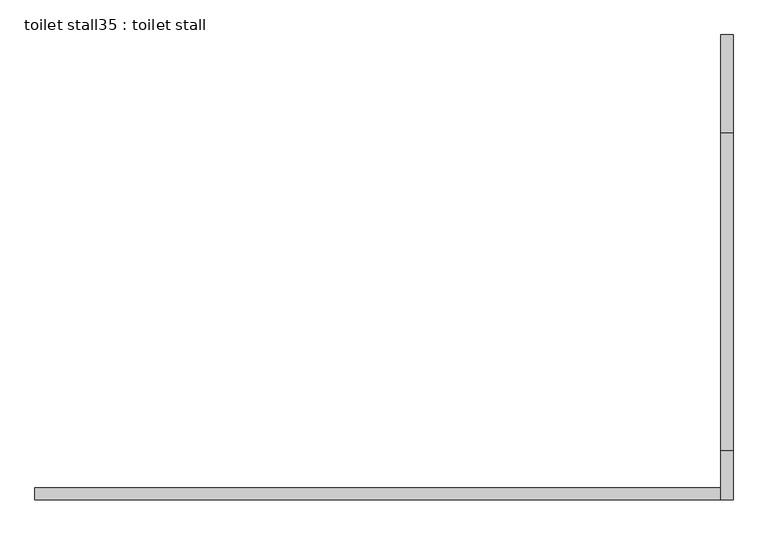
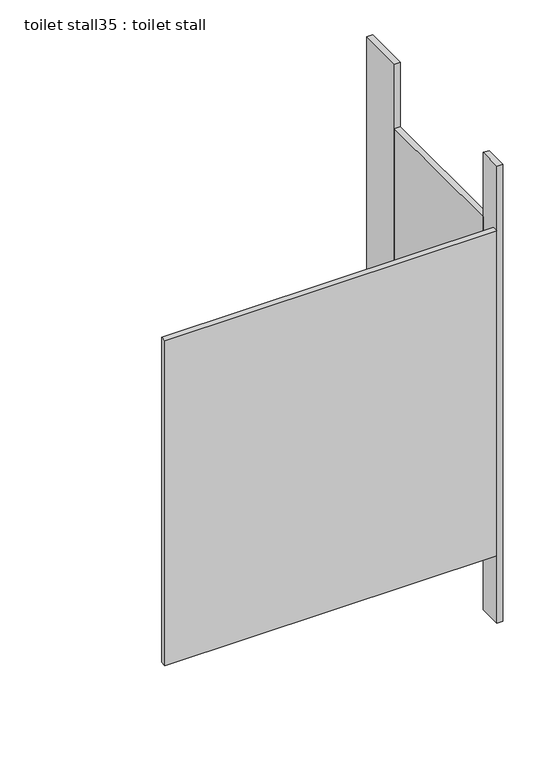
"""IFC4 building model written with IfcOpenShell, lengths in millimetres: proxy geometry, toilet stall35 : toilet stall."""

import ifcopenshell
import ifcopenshell.guid

model = None  # the IFC model being written
_history = None  # IfcOwnerHistory: only IFC2X3 demands one
_inside = {}  # id of a spatial element -> (the spatial element, [elements in it])
_under = {}  # id of a project, library or spatial element -> (it, [spatial elements below it])
_declared = {}  # id of a project -> (the project, [libraries it declares])
_typed = {}  # id of a type object -> (the type object, [elements of that type])
_made_of = {}  # id of a material, layer set ... -> (it, [elements and type objects made of it])


def new_model(schema):
    """Start an empty IFC model of exactly this schema.

    Asked for "IFC4X3", IfcOpenShell would pick the latest addendum, in which some entities
    have other attributes; the version numbers below select the first issue.
    IFC2X3 requires an IfcOwnerHistory on every rooted entity: one is made here for all.
    """
    global model, _history
    if schema == "IFC4X3":
        model = ifcopenshell.file(schema_version=(4, 3, 0, 0))
    else:
        model = ifcopenshell.file(schema=schema)
    _inside.clear()
    _under.clear()
    _declared.clear()
    _typed.clear()
    _made_of.clear()
    _history = None
    if model.schema == "IFC2X3":
        org = make("IfcOrganization", Name="unknown")
        user = make(
            "IfcPersonAndOrganization",
            ThePerson=make("IfcPerson", FamilyName="unknown"),
            TheOrganization=org,
        )
        app = make(
            "IfcApplication",
            ApplicationDeveloper=org,
            Version="unknown",
            ApplicationFullName="unknown",
            ApplicationIdentifier="unknown",
        )
        _history = make(
            "IfcOwnerHistory",
            OwningUser=user,
            OwningApplication=app,
            ChangeAction="ADDED",
            CreationDate=0,
        )
    return model


def make(cls, **values):
    """One entity of the class cls with the attributes given. An attribute that is None is left unset."""
    return model.create_entity(
        cls, **{name: value for name, value in values.items() if value is not None}
    )


def rooted(cls, **values):
    """An entity with a GlobalId (a new one), such as an element, a storey or a relation."""
    return make(cls, GlobalId=ifcopenshell.guid.new(), OwnerHistory=_history, **values)


def si_unit(unit_type, name, prefix=None):
    """IfcSIUnit, for example si_unit("LENGTHUNIT", "METRE", prefix="MILLI")."""
    return make("IfcSIUnit", UnitType=unit_type, Prefix=prefix, Name=name)


def assignment(units):
    """IfcUnitAssignment: the units of a project."""
    return None if units is None else make("IfcUnitAssignment", Units=units)


def point(xyz):
    """IfcCartesianPoint."""
    return None if xyz is None else make("IfcCartesianPoint", Coordinates=xyz)


def direction(xyz):
    """IfcDirection."""
    return None if xyz is None else make("IfcDirection", DirectionRatios=xyz)


def frame(location, z_axis=None, x_axis=None):
    """IfcAxis2Placement3D, a coordinate frame: its origin and axes. An axis left out is left unset."""
    return make(
        "IfcAxis2Placement3D",
        Location=point(location),
        Axis=direction(z_axis),
        RefDirection=direction(x_axis),
    )


def origin():
    """The frame at (0, 0, 0) with its axes left unset."""
    return frame((0.0, 0.0, 0.0))


def origin_with_axes():
    """The frame at (0, 0, 0) with the z axis (0, 0, 1) and the x axis (1, 0, 0) written out."""
    return frame((0.0, 0.0, 0.0), z_axis=(0.0, 0.0, 1.0), x_axis=(1.0, 0.0, 0.0))


def place(relative_to, where):
    """IfcLocalPlacement: puts the frame where relative to a parent placement (None: the world)."""
    return make(
        "IfcLocalPlacement", PlacementRelTo=relative_to, RelativePlacement=where
    )


def context(
    kind, dimensions, precision=None, world=None, true_north=None, identifier=None
):
    """IfcGeometricRepresentationContext, for example the 3D "Model" context."""
    return make(
        "IfcGeometricRepresentationContext",
        ContextIdentifier=identifier,
        ContextType=kind,
        CoordinateSpaceDimension=dimensions,
        Precision=precision,
        WorldCoordinateSystem=world,
        TrueNorth=true_north,
    )


def project(units=None, contexts=None):
    """IfcProject with its units and contexts."""
    return rooted(
        "IfcProject",
        Name="project",
        RepresentationContexts=contexts,
        UnitsInContext=assignment(units),
    )


def spatial(cls, under=None, at=None, **own):
    """A site, building, storey or space (cls), placed at a placement, below another one or the project."""
    s = rooted(cls, ObjectPlacement=at, **own)
    if under is not None:
        _under.setdefault(under.id(), (under, []))[1].append(s)
    return s


def polyline(points):
    """IfcPolyline through the points."""
    return make("IfcPolyline", Points=[point(p) for p in points])


def outline(outer, holes=None, kind="AREA"):
    """IfcArbitraryClosedProfileDef: a profile drawn as a closed curve; with holes, ...WithVoids."""
    if holes is None:
        return make("IfcArbitraryClosedProfileDef", ProfileType=kind, OuterCurve=outer)
    return make(
        "IfcArbitraryProfileDefWithVoids",
        ProfileType=kind,
        OuterCurve=outer,
        InnerCurves=holes,
    )


def extrude(swept, where, along, depth):
    """IfcExtrudedAreaSolid: the profile swept, set in the frame where, extruded along a direction by depth."""
    return make(
        "IfcExtrudedAreaSolid",
        SweptArea=swept,
        Position=where,
        ExtrudedDirection=direction(along),
        Depth=depth,
    )


def shape(context_of_items, identifier, shape_type, items):
    """IfcShapeRepresentation: the items that make up one representation, for example the "Body"."""
    return make(
        "IfcShapeRepresentation",
        ContextOfItems=context_of_items,
        RepresentationIdentifier=identifier,
        RepresentationType=shape_type,
        Items=items,
    )


def source(mapping_origin, context_of_items, identifier, shape_type, items):
    """IfcRepresentationMap: a shape defined once, which mapped items show again and again."""
    return make(
        "IfcRepresentationMap",
        MappingOrigin=mapping_origin,
        MappedRepresentation=shape(context_of_items, identifier, shape_type, items),
    )


def transform(
    local_origin,
    x_axis=None,
    y_axis=None,
    z_axis=None,
    scale=None,
    scale2=None,
    scale3=None,
    uniform=True,
):
    """IfcCartesianTransformationOperator3D, or its non-uniform kind. x_axis, y_axis, z_axis: its Axis1, 2, 3."""
    if uniform:
        return make(
            "IfcCartesianTransformationOperator3D",
            Axis1=direction(x_axis),
            Axis2=direction(y_axis),
            LocalOrigin=point(local_origin),
            Scale=scale,
            Axis3=direction(z_axis),
        )
    return make(
        "IfcCartesianTransformationOperator3DnonUniform",
        Axis1=direction(x_axis),
        Axis2=direction(y_axis),
        LocalOrigin=point(local_origin),
        Scale=scale,
        Axis3=direction(z_axis),
        Scale2=scale2,
        Scale3=scale3,
    )


def mapped(mapping_source, mapping_target):
    """IfcMappedItem: shows the shape of a source again, moved by a transform."""
    return make(
        "IfcMappedItem", MappingSource=mapping_source, MappingTarget=mapping_target
    )


def made_of(thing, what):
    """Note that an element or type object is made of a material, layer set ...; save() writes the relation."""
    if what is not None:
        _made_of.setdefault(what.id(), (what, []))[1].append(thing)
    return thing


def element(
    cls,
    number,
    at=None,
    inside=None,
    cuts=None,
    type_object=None,
    material=None,
    context=None,
    identifier="Body",
    shape_type=None,
    held_by="IfcProductDefinitionShape",
    body=None,
    shapes=None,
    **own,
):
    """One element of the class cls, such as IfcWall. Its Tag is "e" and its number.

    at: its placement. inside: the storey or other place that contains it. cuts: it is an
    opening in that element (IfcRelVoidsElement). A single representation is given by context,
    identifier, shape_type and body (its items); several are given by shapes. held_by: the class
    of the entity that holds the representations. save() writes the other relations.
    """
    e = rooted(cls, Tag="e%d" % number, ObjectPlacement=at, **own)
    if body is not None:
        shapes = [shape(context, identifier, shape_type, body)]
    if shapes is not None:
        e.Representation = make(held_by, Representations=shapes)
    if inside is not None:
        _inside.setdefault(inside.id(), (inside, []))[1].append(e)
    if cuts is not None:
        rooted(
            "IfcRelVoidsElement", RelatingBuildingElement=cuts, RelatedOpeningElement=e
        )
    if type_object is not None:
        _typed.setdefault(type_object.id(), (type_object, []))[1].append(e)
    return made_of(e, material)


def aggregate(whole, parts):
    """IfcRelAggregates: a whole, such as a stair, and the parts it consists of."""
    return rooted("IfcRelAggregates", RelatingObject=whole, RelatedObjects=parts)


def save(model, path):
    """Write the relations noted so far, then the file.

    IfcRelAggregates (storeys below a building ...), IfcRelContainedInSpatialStructure (elements
    in a storey), IfcRelDefinesByType, IfcRelAssociatesMaterial and IfcRelDeclares: one each for
    every whole, place, type object, material and project.
    """
    for whole, parts in _under.values():
        aggregate(whole, parts)
    for where, things in _inside.values():
        rooted(
            "IfcRelContainedInSpatialStructure",
            RelatedElements=things,
            RelatingStructure=where,
        )
    for kind, things in _typed.values():
        rooted("IfcRelDefinesByType", RelatedObjects=things, RelatingType=kind)
    for what, things in _made_of.values():
        rooted("IfcRelAssociatesMaterial", RelatedObjects=things, RelatingMaterial=what)
    for by, libraries in _declared.values():
        rooted("IfcRelDeclares", RelatingContext=by, RelatedDefinitions=libraries)
    model.write(path)


def toilet_stall35_toilet_stall_6e0f31cd(model_context):
    return source(origin(), model_context, "Body", "SweptSolid", [
        extrude(outline(polyline([(458207.8504676, -347175.9455223), (458207.8504676, -346972.7455223), (458233.2504676, -346972.7455223), (458233.2504676, -347175.9455223), (458207.8504676, -347175.9455223)])), origin_with_axes(), (0.0, 0.0, 1.0), 2070.1),
        extrude(outline(polyline([(458207.8504676, -347937.9455223), (458207.8504676, -347836.3455223), (458233.2504676, -347836.3455223), (458233.2504676, -347937.9455223), (458207.8504676, -347937.9455223)])), origin_with_axes(), (0.0, 0.0, 1.0), 2070.1),
        extrude(outline(polyline([(458207.8504676, -347937.9455223), (456785.4504676, -347937.9455223), (456785.4504676, -347912.5455223), (458207.8504676, -347912.5455223), (458207.8504676, -347937.9455223)])), frame((0.0, 0.0, 304.8), z_axis=(0.0, 0.0, 1.0), x_axis=(1.0, 0.0, 0.0)), (0.0, 0.0, 1.0), 1473.2),
        extrude(outline(polyline([(458207.8504676, -347836.3455223), (458207.8504676, -347175.9455223), (458233.2504676, -347175.9455223), (458233.2504676, -347836.3455223), (458207.8504676, -347836.3455223)])), frame((0.0, 0.0, 304.8), z_axis=(0.0, 0.0, 1.0), x_axis=(1.0, 0.0, 0.0)), (0.0, 0.0, 1.0), 1473.2),
    ])


if __name__ == "__main__":
    model = new_model("IFC4")
    model_context = context("Model", 3, world=origin())
    ifc_project = project(units=[si_unit("LENGTHUNIT", "METRE", prefix="MILLI")], contexts=[model_context])
    site = spatial("IfcSite", under=ifc_project)
    building = spatial("IfcBuilding", under=site)
    placement = place(None, origin())
    toilet_stall35_toilet_stall_shape = toilet_stall35_toilet_stall_6e0f31cd(model_context)
    element("IfcBuildingElementProxy", 1, Name="toilet stall35 : toilet stall", ObjectType="toilet stall35 : toilet stall", at=placement, inside=building, context=model_context, shape_type="MappedRepresentation", body=[
        mapped(toilet_stall35_toilet_stall_shape, transform((0.0, 0.0, 0.0), x_axis=(1.0, 0.0, 0.0), y_axis=(0.0, 1.0, 0.0), z_axis=(0.0, 0.0, 1.0))),
    ])
    save(model, "model.ifc")
